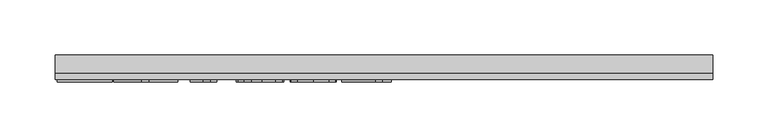
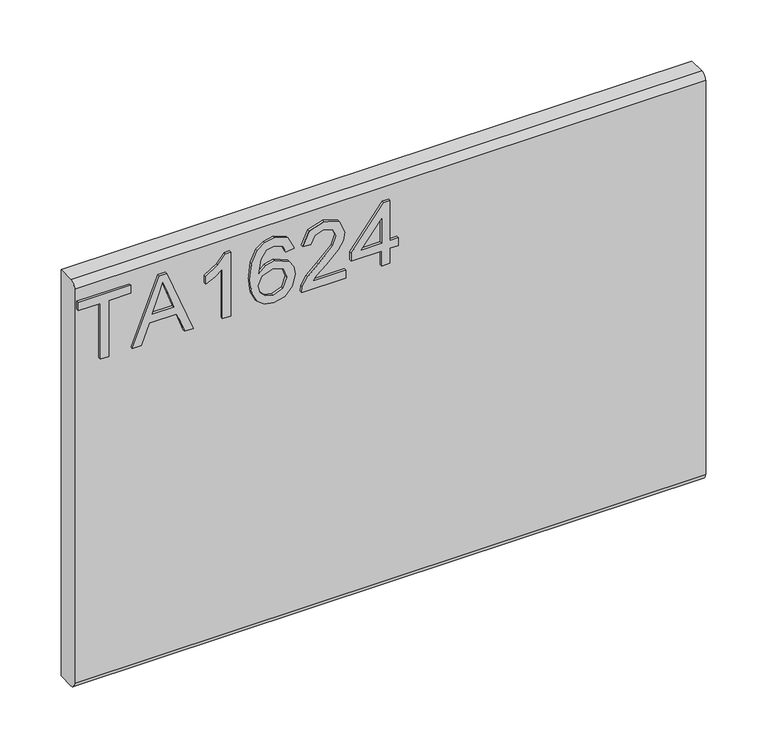
"""IFC4 building model written with IfcOpenShell, lengths in millimetres: furniture geometry."""

import ifcopenshell
import ifcopenshell.guid

model = None  # the IFC model being written
_history = None  # IfcOwnerHistory: only IFC2X3 demands one
_inside = {}  # id of a spatial element -> (the spatial element, [elements in it])
_under = {}  # id of a project, library or spatial element -> (it, [spatial elements below it])
_declared = {}  # id of a project -> (the project, [libraries it declares])
_typed = {}  # id of a type object -> (the type object, [elements of that type])
_made_of = {}  # id of a material, layer set ... -> (it, [elements and type objects made of it])


def new_model(schema):
    """Start an empty IFC model of exactly this schema.

    Asked for "IFC4X3", IfcOpenShell would pick the latest addendum, in which some entities
    have other attributes; the version numbers below select the first issue.
    IFC2X3 requires an IfcOwnerHistory on every rooted entity: one is made here for all.
    """
    global model, _history
    if schema == "IFC4X3":
        model = ifcopenshell.file(schema_version=(4, 3, 0, 0))
    else:
        model = ifcopenshell.file(schema=schema)
    _inside.clear()
    _under.clear()
    _declared.clear()
    _typed.clear()
    _made_of.clear()
    _history = None
    if model.schema == "IFC2X3":
        org = make("IfcOrganization", Name="unknown")
        user = make(
            "IfcPersonAndOrganization",
            ThePerson=make("IfcPerson", FamilyName="unknown"),
            TheOrganization=org,
        )
        app = make(
            "IfcApplication",
            ApplicationDeveloper=org,
            Version="unknown",
            ApplicationFullName="unknown",
            ApplicationIdentifier="unknown",
        )
        _history = make(
            "IfcOwnerHistory",
            OwningUser=user,
            OwningApplication=app,
            ChangeAction="ADDED",
            CreationDate=0,
        )
    return model


def make(cls, **values):
    """One entity of the class cls with the attributes given. An attribute that is None is left unset."""
    return model.create_entity(
        cls, **{name: value for name, value in values.items() if value is not None}
    )


def rooted(cls, **values):
    """An entity with a GlobalId (a new one), such as an element, a storey or a relation."""
    return make(cls, GlobalId=ifcopenshell.guid.new(), OwnerHistory=_history, **values)


def si_unit(unit_type, name, prefix=None):
    """IfcSIUnit, for example si_unit("LENGTHUNIT", "METRE", prefix="MILLI")."""
    return make("IfcSIUnit", UnitType=unit_type, Prefix=prefix, Name=name)


def assignment(units):
    """IfcUnitAssignment: the units of a project."""
    return None if units is None else make("IfcUnitAssignment", Units=units)


def point(xyz):
    """IfcCartesianPoint."""
    return None if xyz is None else make("IfcCartesianPoint", Coordinates=xyz)


def direction(xyz):
    """IfcDirection."""
    return None if xyz is None else make("IfcDirection", DirectionRatios=xyz)


def frame(location, z_axis=None, x_axis=None):
    """IfcAxis2Placement3D, a coordinate frame: its origin and axes. An axis left out is left unset."""
    return make(
        "IfcAxis2Placement3D",
        Location=point(location),
        Axis=direction(z_axis),
        RefDirection=direction(x_axis),
    )


def origin():
    """The frame at (0, 0, 0) with its axes left unset."""
    return frame((0.0, 0.0, 0.0))


def place(relative_to, where):
    """IfcLocalPlacement: puts the frame where relative to a parent placement (None: the world)."""
    return make(
        "IfcLocalPlacement", PlacementRelTo=relative_to, RelativePlacement=where
    )


def context(
    kind, dimensions, precision=None, world=None, true_north=None, identifier=None
):
    """IfcGeometricRepresentationContext, for example the 3D "Model" context."""
    return make(
        "IfcGeometricRepresentationContext",
        ContextIdentifier=identifier,
        ContextType=kind,
        CoordinateSpaceDimension=dimensions,
        Precision=precision,
        WorldCoordinateSystem=world,
        TrueNorth=true_north,
    )


def project(units=None, contexts=None):
    """IfcProject with its units and contexts."""
    return rooted(
        "IfcProject",
        Name="project",
        RepresentationContexts=contexts,
        UnitsInContext=assignment(units),
    )


def spatial(cls, under=None, at=None, **own):
    """A site, building, storey or space (cls), placed at a placement, below another one or the project."""
    s = rooted(cls, ObjectPlacement=at, **own)
    if under is not None:
        _under.setdefault(under.id(), (under, []))[1].append(s)
    return s


def polyline(points):
    """IfcPolyline through the points."""
    return make("IfcPolyline", Points=[point(p) for p in points])


def circle_curve(where, radius):
    """IfcCircle in the frame where."""
    return make("IfcCircle", Position=where, Radius=radius)


def outline(outer, holes=None, kind="AREA"):
    """IfcArbitraryClosedProfileDef: a profile drawn as a closed curve; with holes, ...WithVoids."""
    if holes is None:
        return make("IfcArbitraryClosedProfileDef", ProfileType=kind, OuterCurve=outer)
    return make(
        "IfcArbitraryProfileDefWithVoids",
        ProfileType=kind,
        OuterCurve=outer,
        InnerCurves=holes,
    )


def extrude(swept, where, along, depth):
    """IfcExtrudedAreaSolid: the profile swept, set in the frame where, extruded along a direction by depth."""
    return make(
        "IfcExtrudedAreaSolid",
        SweptArea=swept,
        Position=where,
        ExtrudedDirection=direction(along),
        Depth=depth,
    )


def shape(context_of_items, identifier, shape_type, items):
    """IfcShapeRepresentation: the items that make up one representation, for example the "Body"."""
    return make(
        "IfcShapeRepresentation",
        ContextOfItems=context_of_items,
        RepresentationIdentifier=identifier,
        RepresentationType=shape_type,
        Items=items,
    )


def source(mapping_origin, context_of_items, identifier, shape_type, items):
    """IfcRepresentationMap: a shape defined once, which mapped items show again and again."""
    return make(
        "IfcRepresentationMap",
        MappingOrigin=mapping_origin,
        MappedRepresentation=shape(context_of_items, identifier, shape_type, items),
    )


def transform(
    local_origin,
    x_axis=None,
    y_axis=None,
    z_axis=None,
    scale=None,
    scale2=None,
    scale3=None,
    uniform=True,
):
    """IfcCartesianTransformationOperator3D, or its non-uniform kind. x_axis, y_axis, z_axis: its Axis1, 2, 3."""
    if uniform:
        return make(
            "IfcCartesianTransformationOperator3D",
            Axis1=direction(x_axis),
            Axis2=direction(y_axis),
            LocalOrigin=point(local_origin),
            Scale=scale,
            Axis3=direction(z_axis),
        )
    return make(
        "IfcCartesianTransformationOperator3DnonUniform",
        Axis1=direction(x_axis),
        Axis2=direction(y_axis),
        LocalOrigin=point(local_origin),
        Scale=scale,
        Axis3=direction(z_axis),
        Scale2=scale2,
        Scale3=scale3,
    )


def mapped(mapping_source, mapping_target):
    """IfcMappedItem: shows the shape of a source again, moved by a transform."""
    return make(
        "IfcMappedItem", MappingSource=mapping_source, MappingTarget=mapping_target
    )


def made_of(thing, what):
    """Note that an element or type object is made of a material, layer set ...; save() writes the relation."""
    if what is not None:
        _made_of.setdefault(what.id(), (what, []))[1].append(thing)
    return thing


def element(
    cls,
    number,
    at=None,
    inside=None,
    cuts=None,
    type_object=None,
    material=None,
    context=None,
    identifier="Body",
    shape_type=None,
    held_by="IfcProductDefinitionShape",
    body=None,
    shapes=None,
    **own,
):
    """One element of the class cls, such as IfcWall. Its Tag is "e" and its number.

    at: its placement. inside: the storey or other place that contains it. cuts: it is an
    opening in that element (IfcRelVoidsElement). A single representation is given by context,
    identifier, shape_type and body (its items); several are given by shapes. held_by: the class
    of the entity that holds the representations. save() writes the other relations.
    """
    e = rooted(cls, Tag="e%d" % number, ObjectPlacement=at, **own)
    if body is not None:
        shapes = [shape(context, identifier, shape_type, body)]
    if shapes is not None:
        e.Representation = make(held_by, Representations=shapes)
    if inside is not None:
        _inside.setdefault(inside.id(), (inside, []))[1].append(e)
    if cuts is not None:
        rooted(
            "IfcRelVoidsElement", RelatingBuildingElement=cuts, RelatedOpeningElement=e
        )
    if type_object is not None:
        _typed.setdefault(type_object.id(), (type_object, []))[1].append(e)
    return made_of(e, material)


def aggregate(whole, parts):
    """IfcRelAggregates: a whole, such as a stair, and the parts it consists of."""
    return rooted("IfcRelAggregates", RelatingObject=whole, RelatedObjects=parts)


def save(model, path):
    """Write the relations noted so far, then the file.

    IfcRelAggregates (storeys below a building ...), IfcRelContainedInSpatialStructure (elements
    in a storey), IfcRelDefinesByType, IfcRelAssociatesMaterial and IfcRelDeclares: one each for
    every whole, place, type object, material and project.
    """
    for whole, parts in _under.values():
        aggregate(whole, parts)
    for where, things in _inside.values():
        rooted(
            "IfcRelContainedInSpatialStructure",
            RelatedElements=things,
            RelatingStructure=where,
        )
    for kind, things in _typed.values():
        rooted("IfcRelDefinesByType", RelatedObjects=things, RelatingType=kind)
    for what, things in _made_of.values():
        rooted("IfcRelAssociatesMaterial", RelatedObjects=things, RelatingMaterial=what)
    for by, libraries in _declared.values():
        rooted("IfcRelDeclares", RelatingContext=by, RelatedDefinitions=libraries)
    model.write(path)


def plane_surface(at):
    """IfcPlane: the flat surface through the origin of the frame at, square to its z axis."""
    return make("IfcPlane", Position=at)


def cylinder_surface(at, radius):
    """IfcCylindricalSurface: all points at the distance radius from the z axis of the frame at."""
    return make("IfcCylindricalSurface", Position=at, Radius=radius)


def advanced_brep(points, edges, surfaces, faces):
    """IfcAdvancedBrep: a solid bounded by faces that lie on surfaces and meet in shared edges.

    An edge is (start, end): straight between two places in points (the first is 0);
    or (start, end, curve); or (start, end, curve, False) where it runs against its curve.
    A face is (place in surfaces, loops), or (place, loops, False) where it looks against
    its surface's normal. A loop lists edges by number (the first is 1), with a minus sign
    where the edge is run from its end to its start. The first loop is the outer one.
    """
    corners = [point(p) for p in points]
    vertices = [make("IfcVertexPoint", VertexGeometry=c) for c in corners]
    made = []
    for start, end, *more in edges:
        made.append(
            make(
                "IfcEdgeCurve",
                EdgeStart=vertices[start],
                EdgeEnd=vertices[end],
                EdgeGeometry=more[0] if more else make("IfcPolyline", Points=[corners[start], corners[end]]),
                SameSense=more[1] if len(more) > 1 else True,
            )
        )
    hull = []
    for where, loops, *sense in faces:
        bounds = []
        for j, loop in enumerate(loops):
            ring = [make("IfcOrientedEdge", EdgeElement=made[abs(k) - 1], Orientation=k > 0) for k in loop]
            bounds.append(
                make(
                    "IfcFaceOuterBound" if j == 0 else "IfcFaceBound",
                    Bound=make("IfcEdgeLoop", EdgeList=ring),
                    Orientation=True,
                )
            )
        hull.append(make("IfcAdvancedFace", Bounds=bounds, FaceSurface=surfaces[where], SameSense=sense[0] if sense else True))
    return make("IfcAdvancedBrep", Outer=make("IfcClosedShell", CfsFaces=hull))


def furniture_92660af4(model_context):
    return source(origin(), model_context, "Body", "SolidModel", [
        extrude(outline(polyline([(1085.85, -275.5255561), (1085.85, -267.5518365), (1141.6660373, -267.5518365), (1141.6660373, -246.6208225), (1149.6397569, -246.6208225), (1149.6397569, -296.4565701), (1141.6660373, -296.4565701), (1141.6660373, -275.5255561), (1085.85, -275.5255561)])), frame((0.0, -15.0812439, 0.0), z_axis=(0.0, 1.0, 0.0), x_axis=(0.0, 0.0, 1.0)), (0.0, 0.0, 1.0), 2.38125),
        extrude(outline(polyline([(1085.85, -245.079029), (1085.85, -236.653673), (1105.784299, -229.3651949), (1105.784299, -203.0924117), (1085.85, -195.7883599), (1085.85, -187.3630038), (1149.6397569, -212.8259561), (1149.6397569, -219.6160767), (1085.85, -245.079029)]), holes=[polyline([(1113.7580187, -226.4373447), (1130.8111885, -220.1923026), (1141.6660373, -216.2210164), (1129.4407055, -211.7513728), (1113.7580187, -206.0046882), (1113.7580187, -226.4373447)])]), frame((0.0, -15.0812439, 0.0), z_axis=(0.0, 1.0, 0.0), x_axis=(0.0, 0.0, 1.0)), (0.0, 0.0, 1.0), 2.38125),
        extrude(outline(polyline([(1085.85, -151.932902), (1149.6397569, -151.932902), (1149.6397569, -157.0722135), (1141.1521062, -164.1660207), (1133.6923177, -175.8540609), (1126.1546609, -175.8540609), (1130.1804549, -167.4598521), (1135.5611582, -159.9066216), (1085.85, -159.9066216), (1085.85, -151.932902)])), frame((0.0, -15.0812439, 0.0), z_axis=(0.0, 1.0, 0.0), x_axis=(0.0, 0.0, 1.0)), (0.0, 0.0, 1.0), 2.38125),
        extrude(outline(polyline([(1132.6956028, -92.1300049), (1145.138966, -98.0168526), (1149.6397569, -110.6159525), (1147.8215308, -119.8706066), (1142.3668525, -127.0150282), (1131.5081103, -132.2477817), (1115.6268592, -133.9920329), (1101.5015395, -132.4210388), (1092.0171738, -127.7080566), (1086.6442572, -120.503287), (1084.853285, -111.4569308), (1087.555317, -101.0069974), (1095.3421526, -93.7652403), (1106.3449512, -91.1332899), (1114.5172351, -92.5310269), (1121.0309231, -96.7242379), (1126.715313, -110.2733317), (1124.6362279, -118.9868007), (1118.2743833, -126.0183133), (1132.4853582, -123.7523441), (1139.7349021, -118.309346), (1141.6660373, -111.11431), (1138.3488454, -103.1250167), (1131.6988878, -100.1037245), (1132.6956028, -92.1300049)]), holes=[polyline([(1106.4695406, -126.0183133), (1115.35432, -122.054814), (1118.7415934, -112.4069247), (1115.35432, -102.6344461), (1106.0801988, -99.1070095), (1096.3933754, -102.6811671), (1092.8270047, -112.0798776), (1094.5478953, -119.2671268), (1099.5626174, -124.1728332), (1106.4695406, -126.0183133)])]), frame((0.0, -15.0812439, 0.0), z_axis=(0.0, 1.0, 0.0), x_axis=(0.0, 0.0, 1.0)), (0.0, 0.0, 1.0), 2.38125),
        extrude(outline(polyline([(1093.8237196, -43.2909722), (1093.8237196, -74.6096249), (1097.8806609, -71.0121068), (1105.550694, -61.8392145), (1116.4756243, -50.4159268), (1124.2936072, -45.7048912), (1131.8546245, -44.2876872), (1144.5315928, -49.5438012), (1149.6397569, -63.8170708), (1145.045524, -78.0436193), (1131.6988878, -84.1562853), (1130.7021729, -76.1825656), (1138.7537608, -72.8264395), (1141.6660373, -63.9883812), (1138.6836793, -55.5085172), (1131.3718407, -52.2614068), (1122.3391115, -55.7031881), (1109.05477, -69.4703134), (1099.8117962, -79.4530366), (1091.3475059, -84.2964483), (1085.85, -85.1530002), (1085.85, -43.2909722), (1093.8237196, -43.2909722)])), frame((0.0, -15.0812439, 0.0), z_axis=(0.0, 1.0, 0.0), x_axis=(0.0, 0.0, 1.0)), (0.0, 0.0, 1.0), 2.38125),
        extrude(outline(polyline([(1085.85, -9.4026638), (1085.85, -1.4289442), (1100.8007243, -1.4289442), (1100.8007243, 6.5447754), (1108.7744439, 6.5447754), (1108.7744439, -1.4289442), (1148.643042, -1.4289442), (1148.643042, -7.4092339), (1108.7744439, -38.3073975), (1100.8007243, -38.3073975), (1100.8007243, -9.4026638), (1085.85, -9.4026638)]), holes=[polyline([(1108.7744439, -9.4026638), (1108.7744439, -28.4959846), (1133.4119916, -9.4026638), (1108.7744439, -9.4026638)])]), frame((0.0, -15.0812439, 0.0), z_axis=(0.0, 1.0, 0.0), x_axis=(0.0, 0.0, 1.0)), (0.0, 0.0, 1.0), 2.38125),
        advanced_brep(
        [(298.45, 9.5250061, 1168.4), (298.45, -6.7309939, 1168.4), (298.45, -12.6999939, 1162.431), (298.45, -12.6999939, 767.969), (298.45, -6.7309939, 762.0), (298.45, 9.5250061, 762.0), (-298.45, 9.5250061, 1168.4), (-298.45, 9.5250061, 762.0), (-298.45, -6.7309939, 762.0), (-298.45, -12.6999939, 767.969), (-298.45, -12.6999939, 1162.4310121), (-298.45, -6.7309939, 1168.4)],
        [
            (0, 1),
            (1, 2, circle_curve(frame((298.45, -6.7309939, 1162.431), z_axis=(1.0, 0.0, 0.0), x_axis=(0.0, 1.0, 0.0)), 5.969)),
            (2, 3),
            (3, 4, circle_curve(frame((298.45, -6.7309939, 767.969), z_axis=(1.0, 0.0, 0.0), x_axis=(0.0, 1.0, 0.0)), 5.969)),
            (4, 5),
            (5, 0),
            (6, 7),
            (7, 8),
            (8, 9, circle_curve(frame((-298.45, -6.7309939, 767.969), z_axis=(-1.0, 0.0, 0.0), x_axis=(0.0, 1.0, 0.0)), 5.969)),
            (9, 10),
            (10, 11, circle_curve(frame((-298.45, -6.7309939, 1162.431), z_axis=(-1.0, 0.0, 0.0), x_axis=(0.0, 1.0, 0.0)), 5.969)),
            (11, 6),
            (0, 6),
            (11, 1),
            (10, 2),
            (9, 3),
            (8, 4),
            (7, 5),
        ],
        [
            plane_surface(frame((298.45, -6.7309939, 1168.4), z_axis=(1.0, 0.0, 0.0), x_axis=(0.0, -1.0, 0.0))),
            plane_surface(frame((-298.45, -6.7309939, 1168.4), z_axis=(-1.0, 0.0, 0.0), x_axis=(0.0, 1.0, 0.0))),
            plane_surface(frame((298.45, 9.5250061, 1168.4), z_axis=(0.0, 0.0, 1.0), x_axis=(-1.0, 0.0, 0.0))),
            cylinder_surface(frame((-298.45, -6.7309939, 1162.431), z_axis=(1.0, 0.0, 0.0), x_axis=(0.0, 1.0, 0.0)), 5.969),
            plane_surface(frame((298.45, -12.6999939, 1162.4310121), z_axis=(0.0, -1.0, 0.0), x_axis=(-1.0, 0.0, 0.0))),
            cylinder_surface(frame((-298.45, -6.7309939, 767.969), z_axis=(1.0, 0.0, 0.0), x_axis=(0.0, 1.0, 0.0)), 5.969),
            plane_surface(frame((298.45, -6.7309939, 762.0), z_axis=(0.0, 0.0, -1.0), x_axis=(-1.0, 0.0, 0.0))),
            plane_surface(frame((298.45, 9.5250061, 762.0), z_axis=(0.0, 1.0, 0.0), x_axis=(-1.0, 0.0, 0.0))),
        ],
        [
            (0, [[1, 2, 3, 4, 5, 6]]),
            (1, [[7, 8, 9, 10, 11, 12]]),
            (2, [[-1, 13, -12, 14]]),
            (3, [[-2, -14, -11, 15]]),
            (4, [[-3, -15, -10, 16]]),
            (5, [[-4, -16, -9, 17]]),
            (6, [[-5, -17, -8, 18]]),
            (7, [[-6, -18, -7, -13]]),
        ],
    ),
    ])


if __name__ == "__main__":
    model = new_model("IFC4")
    model_context = context("Model", 3, world=origin())
    ifc_project = project(units=[si_unit("LENGTHUNIT", "METRE", prefix="MILLI")], contexts=[model_context])
    site = spatial("IfcSite", under=ifc_project)
    building = spatial("IfcBuilding", under=site)
    placement = place(None, origin())
    furniture_shape = furniture_92660af4(model_context)
    element("IfcFurniture", 1, at=placement, inside=building, context=model_context, shape_type="MappedRepresentation", body=[
        mapped(furniture_shape, transform((0.0, 0.0, 0.0), x_axis=(1.0, 0.0, 0.0), y_axis=(0.0, 1.0, 0.0), z_axis=(0.0, 0.0, 1.0))),
    ])
    save(model, "model.ifc")
